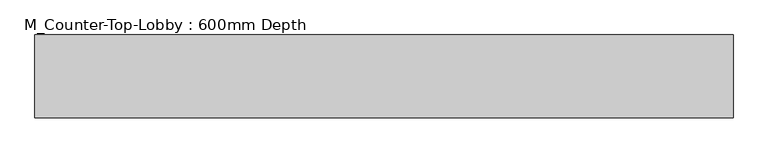
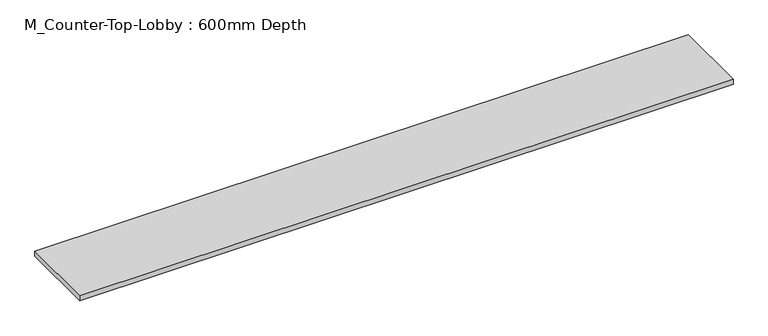
"""IFC4 building model written with IfcOpenShell, lengths in millimetres: furniture geometry, M_Counter-Top-Lobby : 600mm Depth."""

from ifc_helpers import new_model, si_unit, frame, origin, place, context, project, spatial, polyline, outline, extrude, source, transform, mapped, element, save


def m_counter_top_lobby_600mm_depth_cfa4c68d(model_context):
    return source(origin(), model_context, "Body", "SweptSolid", [
        extrude(outline(polyline([(3850.1877049, 0.0), (3850.1877049, -600.0), (-1200.4622951, -600.0), (-1200.4622951, 0.0), (3850.1877049, 0.0)])), frame((0.0, 0.0, 880.0), z_axis=(0.0, 0.0, 1.0), x_axis=(1.0, 0.0, 0.0)), (0.0, 0.0, 1.0), 40.0),
    ])


if __name__ == "__main__":
    model = new_model("IFC4")
    model_context = context("Model", 3, world=origin())
    ifc_project = project(units=[si_unit("LENGTHUNIT", "METRE", prefix="MILLI")], contexts=[model_context])
    site = spatial("IfcSite", under=ifc_project)
    building = spatial("IfcBuilding", under=site)
    placement = place(None, origin())
    m_counter_top_lobby_600mm_depth_shape = m_counter_top_lobby_600mm_depth_cfa4c68d(model_context)
    element("IfcFurniture", 1, ObjectType="M_Counter-Top-Lobby : 600mm Depth", at=placement, inside=building, context=model_context, shape_type="MappedRepresentation", body=[
        mapped(m_counter_top_lobby_600mm_depth_shape, transform((0.0, 0.0, 0.0), x_axis=(1.0, 0.0, 0.0), y_axis=(0.0, 1.0, 0.0), z_axis=(0.0, 0.0, 1.0))),
    ])
    save(model, "model.ifc")
